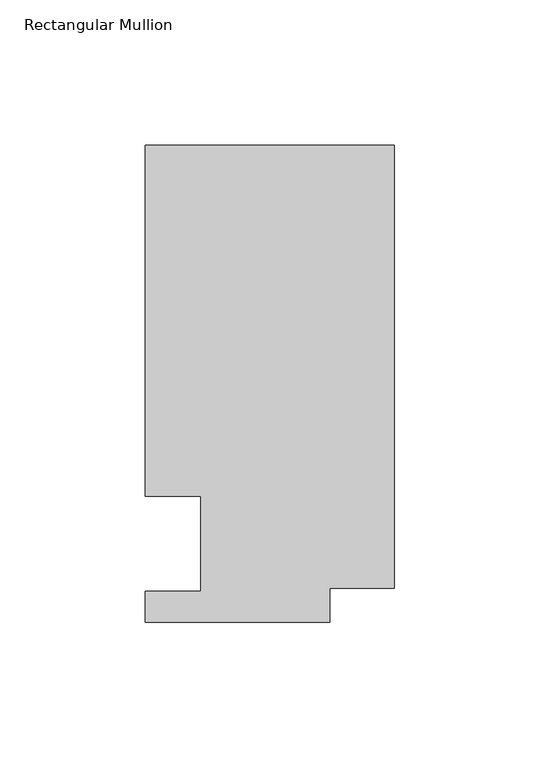
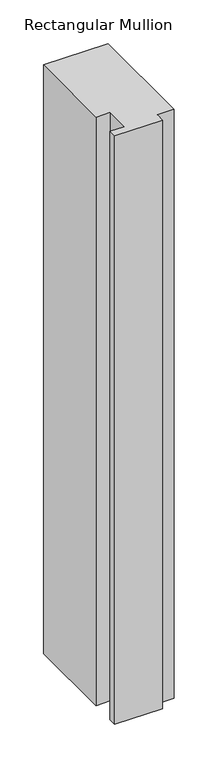
"""IFC4 building model written with IfcOpenShell, lengths in millimetres: member geometry, Rectangular Mullion."""

from ifc_helpers import new_model, si_unit, frame, origin, place, context, project, spatial, polyline, outline, extrude, source, transform, mapped, element, save


def rectangular_mullion_de653431(model_context):
    return source(origin(), model_context, "Body", "SweptSolid", [
        extrude(outline(polyline([(-85.7123, 152.4), (0.0, 152.4), (0.0, 0.0), (-22.2123, 0.0), (-22.2123, -11.684), (-85.7123, -11.684), (-85.7123, -1.016), (-66.6623, -1.016), (-66.6623, 31.75), (-85.7123, 31.75), (-85.7123, 152.4)])), frame((0.0, 0.0, -825.4868072), z_axis=(0.0, 0.0, 1.0), x_axis=(1.0, 0.0, 0.0)), (0.0, 0.0, 1.0), 825.4868072),
    ])


if __name__ == "__main__":
    model = new_model("IFC4")
    model_context = context("Model", 3, world=origin())
    ifc_project = project(units=[si_unit("LENGTHUNIT", "METRE", prefix="MILLI")], contexts=[model_context])
    site = spatial("IfcSite", under=ifc_project)
    building = spatial("IfcBuilding", under=site)
    placement = place(None, origin())
    rectangular_mullion_shape = rectangular_mullion_de653431(model_context)
    element("IfcMember", 1, ObjectType="Rectangular Mullion", at=placement, inside=building, context=model_context, shape_type="MappedRepresentation", body=[
        mapped(rectangular_mullion_shape, transform((0.0, 0.0, 0.0), x_axis=(1.0, 0.0, 0.0), y_axis=(0.0, 1.0, 0.0), z_axis=(0.0, 0.0, 1.0))),
    ])
    save(model, "model.ifc")
